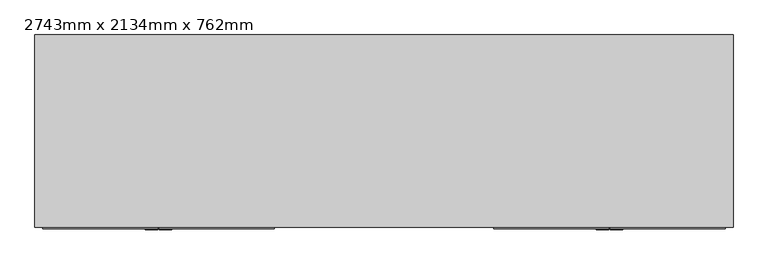
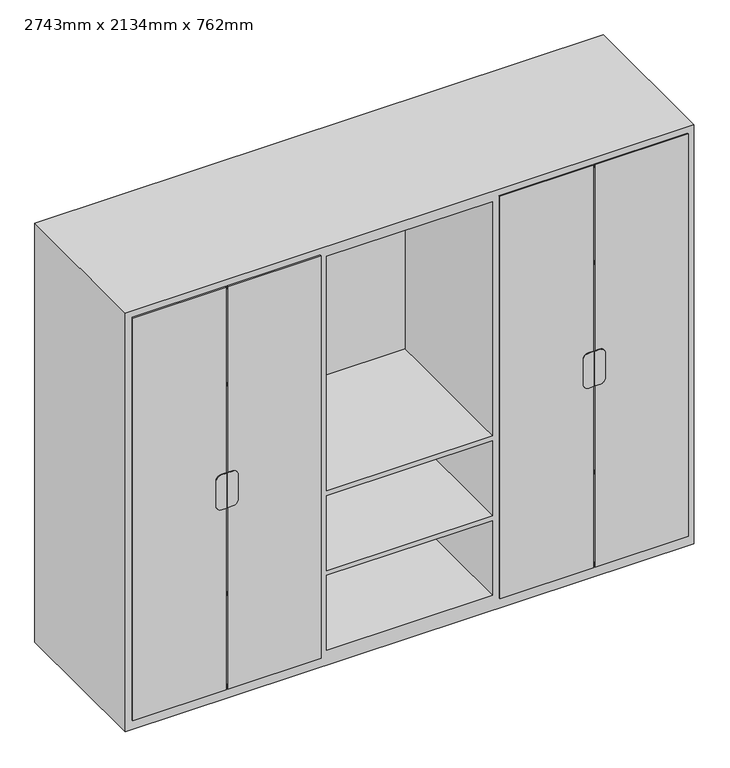
"""IFC4 building model written with IfcOpenShell, lengths in millimetres: furniture geometry, 2743mm x 2134mm x 762mm."""

from ifc_helpers import new_model, si_unit, point, frame, frame_2d, origin, place, context, project, spatial, polyline, circle_curve, trimmed, segment, composite_curve, outline, extrude, faceted_brep, source, transform, mapped, element, save


def furniture_2743mm_x_2134mm_x_762mm_2adf529d(model_context):
    return source(origin(), model_context, "Body", "SolidModel", [
        extrude(outline(composite_curve([segment(polyline([(1155.9, -858.3486452), (1155.9, -882.575), (978.1, -882.575), (978.1, -858.3486452)]), True, "CONTINUOUS"), segment(trimmed(circle_curve(frame_2d((1003.5, -858.3486452)), 25.4), [point((978.1, -858.3486452))], [point((1003.5, -832.9486452))], False, "CARTESIAN"), True, "CONTINUOUS"), segment(polyline([(1003.5, -832.9486452), (1130.5, -832.9486452)]), True, "CONTINUOUS"), segment(trimmed(circle_curve(frame_2d((1130.5, -858.3486452)), 25.4), [point((1130.5, -832.9486452))], [point((1155.9, -858.3486452))], False, "CARTESIAN"), True, "CONTINUOUS")], self_intersect=False)), frame((0.0, -790.575, 0.0), z_axis=(0.0, 1.0, 0.0), x_axis=(0.0, 0.0, 1.0)), (0.0, 0.0, 1.0), 3.175),
        extrude(outline(composite_curve([segment(trimmed(circle_curve(frame_2d((1130.5, -913.53125)), 25.4), [point((1155.9, -913.53125))], [point((1130.5, -938.93125))], False, "CARTESIAN"), True, "CONTINUOUS"), segment(polyline([(1130.5, -938.93125), (1003.5, -938.93125)]), True, "CONTINUOUS"), segment(trimmed(circle_curve(frame_2d((1003.5, -913.53125)), 25.4), [point((1003.5, -938.93125))], [point((978.1, -913.53125))], False, "CARTESIAN"), True, "CONTINUOUS"), segment(polyline([(978.1, -913.53125), (978.1, -888.925), (1155.9, -888.925), (1155.9, -913.53125)]), True, "CONTINUOUS")], self_intersect=False)), frame((0.0, -790.575, 0.0), z_axis=(0.0, 1.0, 0.0), x_axis=(0.0, 0.0, 1.0)), (0.0, 0.0, 1.0), 3.175),
        extrude(outline(composite_curve([segment(trimmed(circle_curve(frame_2d((1130.5, 858.3486452)), 25.4), [point((1155.9, 858.3486452))], [point((1130.5, 832.9486452))], False, "CARTESIAN"), True, "CONTINUOUS"), segment(polyline([(1130.5, 832.9486452), (1003.5, 832.9486452)]), True, "CONTINUOUS"), segment(trimmed(circle_curve(frame_2d((1003.5, 858.3486452)), 25.4), [point((1003.5, 832.9486452))], [point((978.1, 858.3486452))], False, "CARTESIAN"), True, "CONTINUOUS"), segment(polyline([(978.1, 858.3486452), (978.1, 882.575), (1155.9, 882.575), (1155.9, 858.3486452)]), True, "CONTINUOUS")], self_intersect=False)), frame((0.0, -790.575, 0.0), z_axis=(0.0, 1.0, 0.0), x_axis=(0.0, 0.0, 1.0)), (0.0, 0.0, 1.0), 3.175),
        extrude(outline(composite_curve([segment(polyline([(1155.9, 913.53125), (1155.9, 888.925), (978.1, 888.925), (978.1, 913.53125)]), True, "CONTINUOUS"), segment(trimmed(circle_curve(frame_2d((1003.5, 913.53125)), 25.4), [point((978.1, 913.53125))], [point((1003.5, 938.93125))], False, "CARTESIAN"), True, "CONTINUOUS"), segment(polyline([(1003.5, 938.93125), (1130.5, 938.93125)]), True, "CONTINUOUS"), segment(trimmed(circle_curve(frame_2d((1130.5, 913.53125)), 25.4), [point((1130.5, 938.93125))], [point((1155.9, 913.53125))], False, "CARTESIAN"), True, "CONTINUOUS")], self_intersect=False)), frame((0.0, -790.575, 0.0), z_axis=(0.0, 1.0, 0.0), x_axis=(0.0, 0.0, 1.0)), (0.0, 0.0, 1.0), 3.175),
        extrude(outline(polyline([(-1339.75, -781.05), (-888.925, -781.05), (-888.925, -787.4), (-1339.75, -787.4), (-1339.75, -781.05)])), frame((0.0, 0.0, 50.8), z_axis=(0.0, 0.0, 1.0), x_axis=(1.0, 0.0, 0.0)), (0.0, 0.0, 1.0), 2051.45),
        extrude(outline(polyline([(-882.575, -781.05), (-431.75, -781.05), (-431.75, -787.4), (-882.575, -787.4), (-882.575, -781.05)])), frame((0.0, 0.0, 50.8), z_axis=(0.0, 0.0, 1.0), x_axis=(1.0, 0.0, 0.0)), (0.0, 0.0, 1.0), 2051.45),
        extrude(outline(polyline([(888.925, -781.05), (1339.8565735, -781.05), (1339.8565735, -787.4), (888.925, -787.4), (888.925, -781.05)])), frame((0.0, 0.0, 50.8), z_axis=(0.0, 0.0, 1.0), x_axis=(1.0, 0.0, 0.0)), (0.0, 0.0, 1.0), 2051.45),
        extrude(outline(polyline([(431.75, -781.05), (882.575, -781.05), (882.575, -787.4), (431.75, -787.4), (431.75, -781.05)])), frame((0.0, 0.0, 50.8), z_axis=(0.0, 0.0, 1.0), x_axis=(1.0, 0.0, 0.0)), (0.0, 0.0, 1.0), 2051.45),
        faceted_brep([(1371.5, -781.05, 0.0), (1371.5, -781.05, 2134.0), (-1371.5, -781.05, 2134.0), (-1371.5, -781.05, 0.0), (-450.8, -781.05, 2083.2), (-450.8, -781.05, 1613.2), (-1320.7, -781.05, 1613.2), (-1320.7, -781.05, 2083.2), (-450.8, -781.05, 76.2), (-1320.7, -781.05, 76.2), (-1320.7, -781.05, 520.8), (-450.8, -781.05, 520.8), (1320.7, -781.05, 1613.2), (450.8, -781.05, 1613.2), (450.8, -781.05, 2083.2), (1320.7, -781.05, 2083.2), (-400.0, -781.05, 889.2), (-400.0, -781.05, 2083.2), (400.0, -781.05, 2083.2), (400.0, -781.05, 889.2), (400.0, -781.05, 76.2), (-400.0, -781.05, 76.2), (-400.0, -781.05, 457.3), (400.0, -781.05, 457.3), (1320.7, -781.05, 76.2), (450.8, -781.05, 76.2), (450.8, -781.05, 520.8), (1320.7, -781.05, 520.8), (-1320.7, -781.05, 546.2), (-1320.7, -781.05, 1054.3), (-450.8, -781.05, 1054.3), (-450.8, -781.05, 546.2), (-450.8, -781.05, 1587.8), (-450.8, -781.05, 1079.7), (-1320.7, -781.05, 1079.7), (-1320.7, -781.05, 1587.8), (450.8, -781.05, 1587.8), (1320.7, -781.05, 1587.8), (1320.7, -781.05, 1079.7), (450.8, -781.05, 1079.7), (450.8, -781.05, 1054.3), (1320.7, -781.05, 1054.3), (1320.7, -781.05, 546.2), (450.8, -781.05, 546.2), (400.0, -781.05, 482.7), (-400.0, -781.05, 482.7), (-400.0, -781.05, 863.8), (400.0, -781.05, 863.8), (1371.5, -25.4, 0.0), (-1371.5, -25.4, 0.0), (-1371.5, -25.4, 2134.0), (1371.5, -25.4, 2134.0), (-450.8, -50.8, 2083.2), (-450.8, -50.8, 1613.2), (-1320.7, -50.8, 1613.2), (-1320.7, -50.8, 2083.2), (-450.8, -50.8, 76.2), (-1320.7, -50.8, 76.2), (-1320.7, -50.8, 520.8), (-450.8, -50.8, 520.8), (1320.7, -50.8, 1613.2), (450.8, -50.8, 1613.2), (450.8, -50.8, 2083.2), (1320.7, -50.8, 2083.2), (-400.0, -50.8, 889.2), (-400.0, -50.8, 2083.2), (400.0, -50.8, 2083.2), (400.0, -50.8, 889.2), (400.0, -50.8, 76.2), (-400.0, -50.8, 76.2), (-400.0, -50.8, 457.3), (400.0, -50.8, 457.3), (1320.7, -50.8, 76.2), (450.8, -50.8, 76.2), (450.8, -50.8, 520.8), (1320.7, -50.8, 520.8), (-1320.7, -50.8, 546.2), (-1320.7, -50.8, 1054.3), (-450.8, -50.8, 1054.3), (-450.8, -50.8, 546.2), (-450.8, -50.8, 1587.8), (-450.8, -50.8, 1079.7), (-1320.7, -50.8, 1079.7), (-1320.7, -50.8, 1587.8), (450.8, -50.8, 1587.8), (1320.7, -50.8, 1587.8), (1320.7, -50.8, 1079.7), (450.8, -50.8, 1079.7), (450.8, -50.8, 1054.3), (1320.7, -50.8, 1054.3), (1320.7, -50.8, 546.2), (450.8, -50.8, 546.2), (400.0, -50.8, 482.7), (-400.0, -50.8, 482.7), (-400.0, -50.8, 863.8), (400.0, -50.8, 863.8)], [[[0, 1, 2, 3], [4, 5, 6, 7], [8, 9, 10, 11], [12, 13, 14, 15], [16, 17, 18, 19], [20, 21, 22, 23], [24, 25, 26, 27], [28, 29, 30, 31], [32, 33, 34, 35], [36, 37, 38, 39], [40, 41, 42, 43], [44, 45, 46, 47]], [[48, 49, 50, 51]], [[1, 0, 48, 51]], [[2, 1, 51, 50]], [[3, 2, 50, 49]], [[0, 3, 49, 48]], [[5, 4, 52, 53]], [[6, 5, 53, 54]], [[7, 6, 54, 55]], [[4, 7, 55, 52]], [[9, 8, 56, 57]], [[10, 9, 57, 58]], [[11, 10, 58, 59]], [[8, 11, 59, 56]], [[13, 12, 60, 61]], [[14, 13, 61, 62]], [[15, 14, 62, 63]], [[12, 15, 63, 60]], [[17, 16, 64, 65]], [[18, 17, 65, 66]], [[19, 18, 66, 67]], [[16, 19, 67, 64]], [[21, 20, 68, 69]], [[22, 21, 69, 70]], [[23, 22, 70, 71]], [[20, 23, 71, 68]], [[25, 24, 72, 73]], [[26, 25, 73, 74]], [[27, 26, 74, 75]], [[24, 27, 75, 72]], [[29, 28, 76, 77]], [[30, 29, 77, 78]], [[31, 30, 78, 79]], [[28, 31, 79, 76]], [[33, 32, 80, 81]], [[34, 33, 81, 82]], [[35, 34, 82, 83]], [[32, 35, 83, 80]], [[37, 36, 84, 85]], [[38, 37, 85, 86]], [[39, 38, 86, 87]], [[36, 39, 87, 84]], [[41, 40, 88, 89]], [[42, 41, 89, 90]], [[43, 42, 90, 91]], [[40, 43, 91, 88]], [[45, 44, 92, 93]], [[46, 45, 93, 94]], [[47, 46, 94, 95]], [[44, 47, 95, 92]], [[53, 52, 55, 54]], [[57, 56, 59, 58]], [[61, 60, 63, 62]], [[65, 64, 67, 66]], [[69, 68, 71, 70]], [[73, 72, 75, 74]], [[77, 76, 79, 78]], [[81, 80, 83, 82]], [[85, 84, 87, 86]], [[89, 88, 91, 90]], [[93, 92, 95, 94]]]),
    ])


if __name__ == "__main__":
    model = new_model("IFC4")
    model_context = context("Model", 3, world=origin())
    ifc_project = project(units=[si_unit("LENGTHUNIT", "METRE", prefix="MILLI")], contexts=[model_context])
    site = spatial("IfcSite", under=ifc_project)
    building = spatial("IfcBuilding", under=site)
    placement = place(None, origin())
    furniture_2743mm_x_2134mm_x_762mm_shape = furniture_2743mm_x_2134mm_x_762mm_2adf529d(model_context)
    element("IfcFurniture", 1, ObjectType="2743mm x 2134mm x 762mm", at=placement, inside=building, context=model_context, shape_type="MappedRepresentation", body=[
        mapped(furniture_2743mm_x_2134mm_x_762mm_shape, transform((0.0, 0.0, 0.0), x_axis=(1.0, 0.0, 0.0), y_axis=(0.0, 1.0, 0.0), z_axis=(0.0, 0.0, 1.0))),
    ])
    save(model, "model.ifc")
